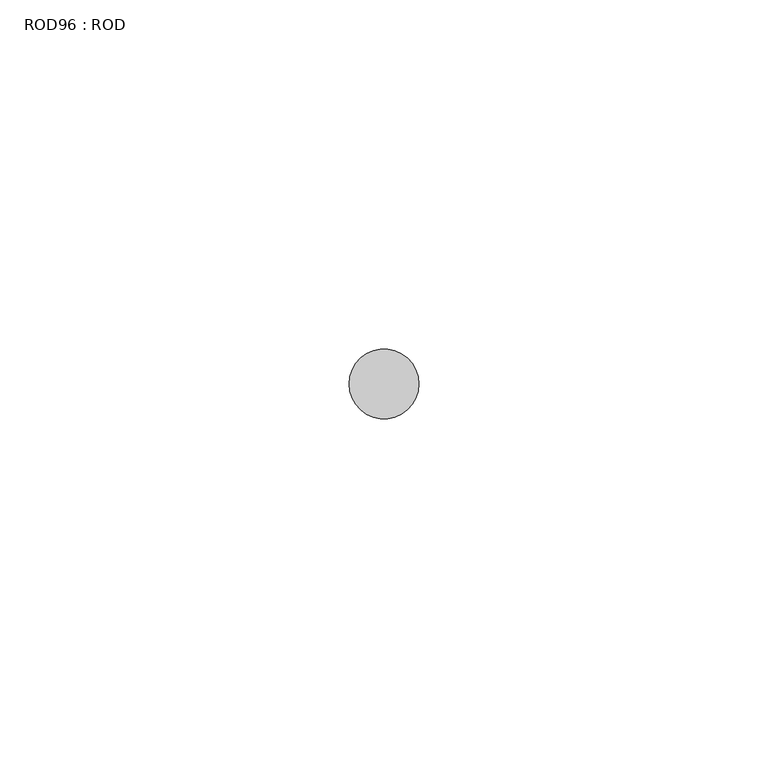
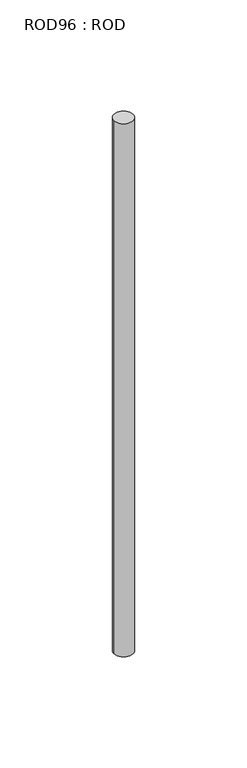
"""IFC4 building model written with IfcOpenShell, lengths in millimetres: proxy geometry, ROD96 : ROD."""

import ifcopenshell
import ifcopenshell.guid

model = None  # the IFC model being written
_history = None  # IfcOwnerHistory: only IFC2X3 demands one
_inside = {}  # id of a spatial element -> (the spatial element, [elements in it])
_under = {}  # id of a project, library or spatial element -> (it, [spatial elements below it])
_declared = {}  # id of a project -> (the project, [libraries it declares])
_typed = {}  # id of a type object -> (the type object, [elements of that type])
_made_of = {}  # id of a material, layer set ... -> (it, [elements and type objects made of it])


def new_model(schema):
    """Start an empty IFC model of exactly this schema.

    Asked for "IFC4X3", IfcOpenShell would pick the latest addendum, in which some entities
    have other attributes; the version numbers below select the first issue.
    IFC2X3 requires an IfcOwnerHistory on every rooted entity: one is made here for all.
    """
    global model, _history
    if schema == "IFC4X3":
        model = ifcopenshell.file(schema_version=(4, 3, 0, 0))
    else:
        model = ifcopenshell.file(schema=schema)
    _inside.clear()
    _under.clear()
    _declared.clear()
    _typed.clear()
    _made_of.clear()
    _history = None
    if model.schema == "IFC2X3":
        org = make("IfcOrganization", Name="unknown")
        user = make(
            "IfcPersonAndOrganization",
            ThePerson=make("IfcPerson", FamilyName="unknown"),
            TheOrganization=org,
        )
        app = make(
            "IfcApplication",
            ApplicationDeveloper=org,
            Version="unknown",
            ApplicationFullName="unknown",
            ApplicationIdentifier="unknown",
        )
        _history = make(
            "IfcOwnerHistory",
            OwningUser=user,
            OwningApplication=app,
            ChangeAction="ADDED",
            CreationDate=0,
        )
    return model


def make(cls, **values):
    """One entity of the class cls with the attributes given. An attribute that is None is left unset."""
    return model.create_entity(
        cls, **{name: value for name, value in values.items() if value is not None}
    )


def rooted(cls, **values):
    """An entity with a GlobalId (a new one), such as an element, a storey or a relation."""
    return make(cls, GlobalId=ifcopenshell.guid.new(), OwnerHistory=_history, **values)


def si_unit(unit_type, name, prefix=None):
    """IfcSIUnit, for example si_unit("LENGTHUNIT", "METRE", prefix="MILLI")."""
    return make("IfcSIUnit", UnitType=unit_type, Prefix=prefix, Name=name)


def assignment(units):
    """IfcUnitAssignment: the units of a project."""
    return None if units is None else make("IfcUnitAssignment", Units=units)


def point(xyz):
    """IfcCartesianPoint."""
    return None if xyz is None else make("IfcCartesianPoint", Coordinates=xyz)


def direction(xyz):
    """IfcDirection."""
    return None if xyz is None else make("IfcDirection", DirectionRatios=xyz)


def frame(location, z_axis=None, x_axis=None):
    """IfcAxis2Placement3D, a coordinate frame: its origin and axes. An axis left out is left unset."""
    return make(
        "IfcAxis2Placement3D",
        Location=point(location),
        Axis=direction(z_axis),
        RefDirection=direction(x_axis),
    )


def frame_2d(location, x_axis=None):
    """IfcAxis2Placement2D, a coordinate frame in the plane: its origin and x axis."""
    return make(
        "IfcAxis2Placement2D", Location=point(location), RefDirection=direction(x_axis)
    )


def origin():
    """The frame at (0, 0, 0) with its axes left unset."""
    return frame((0.0, 0.0, 0.0))


def place(relative_to, where):
    """IfcLocalPlacement: puts the frame where relative to a parent placement (None: the world)."""
    return make(
        "IfcLocalPlacement", PlacementRelTo=relative_to, RelativePlacement=where
    )


def context(
    kind, dimensions, precision=None, world=None, true_north=None, identifier=None
):
    """IfcGeometricRepresentationContext, for example the 3D "Model" context."""
    return make(
        "IfcGeometricRepresentationContext",
        ContextIdentifier=identifier,
        ContextType=kind,
        CoordinateSpaceDimension=dimensions,
        Precision=precision,
        WorldCoordinateSystem=world,
        TrueNorth=true_north,
    )


def project(units=None, contexts=None):
    """IfcProject with its units and contexts."""
    return rooted(
        "IfcProject",
        Name="project",
        RepresentationContexts=contexts,
        UnitsInContext=assignment(units),
    )


def spatial(cls, under=None, at=None, **own):
    """A site, building, storey or space (cls), placed at a placement, below another one or the project."""
    s = rooted(cls, ObjectPlacement=at, **own)
    if under is not None:
        _under.setdefault(under.id(), (under, []))[1].append(s)
    return s


def circle_curve(where, radius):
    """IfcCircle in the frame where."""
    return make("IfcCircle", Position=where, Radius=radius)


def trimmed(basis, trim1, trim2, sense, master):
    """IfcTrimmedCurve: the piece of a basis curve between two trims."""
    return make(
        "IfcTrimmedCurve",
        BasisCurve=basis,
        Trim1=trim1,
        Trim2=trim2,
        SenseAgreement=sense,
        MasterRepresentation=master,
    )


def segment(curve, same_sense, transition):
    """IfcCompositeCurveSegment."""
    return make(
        "IfcCompositeCurveSegment",
        Transition=transition,
        SameSense=same_sense,
        ParentCurve=curve,
    )


def composite_curve(segments, self_intersect=None):
    """IfcCompositeCurve: segments joined end to end."""
    return make("IfcCompositeCurve", Segments=segments, SelfIntersect=self_intersect)


def outline(outer, holes=None, kind="AREA"):
    """IfcArbitraryClosedProfileDef: a profile drawn as a closed curve; with holes, ...WithVoids."""
    if holes is None:
        return make("IfcArbitraryClosedProfileDef", ProfileType=kind, OuterCurve=outer)
    return make(
        "IfcArbitraryProfileDefWithVoids",
        ProfileType=kind,
        OuterCurve=outer,
        InnerCurves=holes,
    )


def extrude(swept, where, along, depth):
    """IfcExtrudedAreaSolid: the profile swept, set in the frame where, extruded along a direction by depth."""
    return make(
        "IfcExtrudedAreaSolid",
        SweptArea=swept,
        Position=where,
        ExtrudedDirection=direction(along),
        Depth=depth,
    )


def shape(context_of_items, identifier, shape_type, items):
    """IfcShapeRepresentation: the items that make up one representation, for example the "Body"."""
    return make(
        "IfcShapeRepresentation",
        ContextOfItems=context_of_items,
        RepresentationIdentifier=identifier,
        RepresentationType=shape_type,
        Items=items,
    )


def source(mapping_origin, context_of_items, identifier, shape_type, items):
    """IfcRepresentationMap: a shape defined once, which mapped items show again and again."""
    return make(
        "IfcRepresentationMap",
        MappingOrigin=mapping_origin,
        MappedRepresentation=shape(context_of_items, identifier, shape_type, items),
    )


def transform(
    local_origin,
    x_axis=None,
    y_axis=None,
    z_axis=None,
    scale=None,
    scale2=None,
    scale3=None,
    uniform=True,
):
    """IfcCartesianTransformationOperator3D, or its non-uniform kind. x_axis, y_axis, z_axis: its Axis1, 2, 3."""
    if uniform:
        return make(
            "IfcCartesianTransformationOperator3D",
            Axis1=direction(x_axis),
            Axis2=direction(y_axis),
            LocalOrigin=point(local_origin),
            Scale=scale,
            Axis3=direction(z_axis),
        )
    return make(
        "IfcCartesianTransformationOperator3DnonUniform",
        Axis1=direction(x_axis),
        Axis2=direction(y_axis),
        LocalOrigin=point(local_origin),
        Scale=scale,
        Axis3=direction(z_axis),
        Scale2=scale2,
        Scale3=scale3,
    )


def mapped(mapping_source, mapping_target):
    """IfcMappedItem: shows the shape of a source again, moved by a transform."""
    return make(
        "IfcMappedItem", MappingSource=mapping_source, MappingTarget=mapping_target
    )


def made_of(thing, what):
    """Note that an element or type object is made of a material, layer set ...; save() writes the relation."""
    if what is not None:
        _made_of.setdefault(what.id(), (what, []))[1].append(thing)
    return thing


def element(
    cls,
    number,
    at=None,
    inside=None,
    cuts=None,
    type_object=None,
    material=None,
    context=None,
    identifier="Body",
    shape_type=None,
    held_by="IfcProductDefinitionShape",
    body=None,
    shapes=None,
    **own,
):
    """One element of the class cls, such as IfcWall. Its Tag is "e" and its number.

    at: its placement. inside: the storey or other place that contains it. cuts: it is an
    opening in that element (IfcRelVoidsElement). A single representation is given by context,
    identifier, shape_type and body (its items); several are given by shapes. held_by: the class
    of the entity that holds the representations. save() writes the other relations.
    """
    e = rooted(cls, Tag="e%d" % number, ObjectPlacement=at, **own)
    if body is not None:
        shapes = [shape(context, identifier, shape_type, body)]
    if shapes is not None:
        e.Representation = make(held_by, Representations=shapes)
    if inside is not None:
        _inside.setdefault(inside.id(), (inside, []))[1].append(e)
    if cuts is not None:
        rooted(
            "IfcRelVoidsElement", RelatingBuildingElement=cuts, RelatedOpeningElement=e
        )
    if type_object is not None:
        _typed.setdefault(type_object.id(), (type_object, []))[1].append(e)
    return made_of(e, material)


def aggregate(whole, parts):
    """IfcRelAggregates: a whole, such as a stair, and the parts it consists of."""
    return rooted("IfcRelAggregates", RelatingObject=whole, RelatedObjects=parts)


def save(model, path):
    """Write the relations noted so far, then the file.

    IfcRelAggregates (storeys below a building ...), IfcRelContainedInSpatialStructure (elements
    in a storey), IfcRelDefinesByType, IfcRelAssociatesMaterial and IfcRelDeclares: one each for
    every whole, place, type object, material and project.
    """
    for whole, parts in _under.values():
        aggregate(whole, parts)
    for where, things in _inside.values():
        rooted(
            "IfcRelContainedInSpatialStructure",
            RelatedElements=things,
            RelatingStructure=where,
        )
    for kind, things in _typed.values():
        rooted("IfcRelDefinesByType", RelatedObjects=things, RelatingType=kind)
    for what, things in _made_of.values():
        rooted("IfcRelAssociatesMaterial", RelatedObjects=things, RelatingMaterial=what)
    for by, libraries in _declared.values():
        rooted("IfcRelDeclares", RelatingContext=by, RelatedDefinitions=libraries)
    model.write(path)


def rod96_rod_0772c5e9(model_context):
    return source(origin(), model_context, "Body", "SweptSolid", [
        extrude(outline(composite_curve([segment(trimmed(circle_curve(frame_2d((-3507.2215616, -12414.6300853)), 5.0), [point((-3512.2215616, -12414.6300853))], [point((-3502.2215616, -12414.6300853))], False, "CARTESIAN"), True, "CONTINUOUS"), segment(trimmed(circle_curve(frame_2d((-3507.2215616, -12414.6300853)), 5.0), [point((-3502.2215616, -12414.6300853))], [point((-3512.2215616, -12414.6300853))], False, "CARTESIAN"), True, "CONTINUOUS")], self_intersect=False)), frame((0.0, 0.0, -208.6608845), z_axis=(0.0, 0.0, 1.0), x_axis=(1.0, 0.0, 0.0)), (0.0, 0.0, 1.0), 298.9028972),
    ])


if __name__ == "__main__":
    model = new_model("IFC4")
    model_context = context("Model", 3, world=origin())
    ifc_project = project(units=[si_unit("LENGTHUNIT", "METRE", prefix="MILLI")], contexts=[model_context])
    site = spatial("IfcSite", under=ifc_project)
    building = spatial("IfcBuilding", under=site)
    placement = place(None, origin())
    rod96_rod_shape = rod96_rod_0772c5e9(model_context)
    element("IfcBuildingElementProxy", 1, Name="ROD96 : ROD", ObjectType="ROD96 : ROD", at=placement, inside=building, context=model_context, shape_type="MappedRepresentation", body=[
        mapped(rod96_rod_shape, transform((0.0, 0.0, 0.0), x_axis=(1.0, 0.0, 0.0), y_axis=(0.0, 1.0, 0.0), z_axis=(0.0, 0.0, 1.0))),
    ])
    save(model, "model.ifc")
